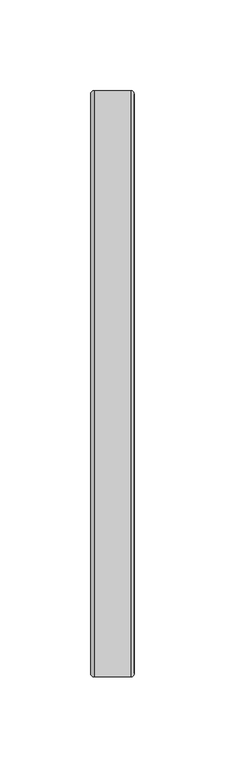
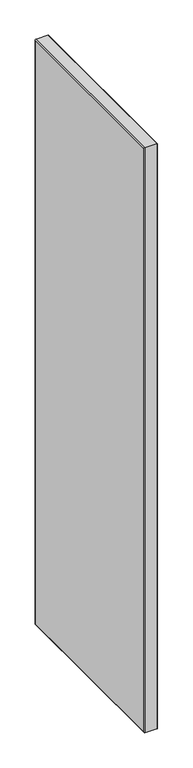
"""IFC4 building model written with IfcOpenShell, lengths in millimetres: furniture geometry."""

import ifcopenshell
import ifcopenshell.guid

model = None  # the IFC model being written
_history = None  # IfcOwnerHistory: only IFC2X3 demands one
_inside = {}  # id of a spatial element -> (the spatial element, [elements in it])
_under = {}  # id of a project, library or spatial element -> (it, [spatial elements below it])
_declared = {}  # id of a project -> (the project, [libraries it declares])
_typed = {}  # id of a type object -> (the type object, [elements of that type])
_made_of = {}  # id of a material, layer set ... -> (it, [elements and type objects made of it])


def new_model(schema):
    """Start an empty IFC model of exactly this schema.

    Asked for "IFC4X3", IfcOpenShell would pick the latest addendum, in which some entities
    have other attributes; the version numbers below select the first issue.
    IFC2X3 requires an IfcOwnerHistory on every rooted entity: one is made here for all.
    """
    global model, _history
    if schema == "IFC4X3":
        model = ifcopenshell.file(schema_version=(4, 3, 0, 0))
    else:
        model = ifcopenshell.file(schema=schema)
    _inside.clear()
    _under.clear()
    _declared.clear()
    _typed.clear()
    _made_of.clear()
    _history = None
    if model.schema == "IFC2X3":
        org = make("IfcOrganization", Name="unknown")
        user = make(
            "IfcPersonAndOrganization",
            ThePerson=make("IfcPerson", FamilyName="unknown"),
            TheOrganization=org,
        )
        app = make(
            "IfcApplication",
            ApplicationDeveloper=org,
            Version="unknown",
            ApplicationFullName="unknown",
            ApplicationIdentifier="unknown",
        )
        _history = make(
            "IfcOwnerHistory",
            OwningUser=user,
            OwningApplication=app,
            ChangeAction="ADDED",
            CreationDate=0,
        )
    return model


def make(cls, **values):
    """One entity of the class cls with the attributes given. An attribute that is None is left unset."""
    return model.create_entity(
        cls, **{name: value for name, value in values.items() if value is not None}
    )


def rooted(cls, **values):
    """An entity with a GlobalId (a new one), such as an element, a storey or a relation."""
    return make(cls, GlobalId=ifcopenshell.guid.new(), OwnerHistory=_history, **values)


def si_unit(unit_type, name, prefix=None):
    """IfcSIUnit, for example si_unit("LENGTHUNIT", "METRE", prefix="MILLI")."""
    return make("IfcSIUnit", UnitType=unit_type, Prefix=prefix, Name=name)


def assignment(units):
    """IfcUnitAssignment: the units of a project."""
    return None if units is None else make("IfcUnitAssignment", Units=units)


def point(xyz):
    """IfcCartesianPoint."""
    return None if xyz is None else make("IfcCartesianPoint", Coordinates=xyz)


def direction(xyz):
    """IfcDirection."""
    return None if xyz is None else make("IfcDirection", DirectionRatios=xyz)


def frame(location, z_axis=None, x_axis=None):
    """IfcAxis2Placement3D, a coordinate frame: its origin and axes. An axis left out is left unset."""
    return make(
        "IfcAxis2Placement3D",
        Location=point(location),
        Axis=direction(z_axis),
        RefDirection=direction(x_axis),
    )


def origin():
    """The frame at (0, 0, 0) with its axes left unset."""
    return frame((0.0, 0.0, 0.0))


def place(relative_to, where):
    """IfcLocalPlacement: puts the frame where relative to a parent placement (None: the world)."""
    return make(
        "IfcLocalPlacement", PlacementRelTo=relative_to, RelativePlacement=where
    )


def context(
    kind, dimensions, precision=None, world=None, true_north=None, identifier=None
):
    """IfcGeometricRepresentationContext, for example the 3D "Model" context."""
    return make(
        "IfcGeometricRepresentationContext",
        ContextIdentifier=identifier,
        ContextType=kind,
        CoordinateSpaceDimension=dimensions,
        Precision=precision,
        WorldCoordinateSystem=world,
        TrueNorth=true_north,
    )


def project(units=None, contexts=None):
    """IfcProject with its units and contexts."""
    return rooted(
        "IfcProject",
        Name="project",
        RepresentationContexts=contexts,
        UnitsInContext=assignment(units),
    )


def spatial(cls, under=None, at=None, **own):
    """A site, building, storey or space (cls), placed at a placement, below another one or the project."""
    s = rooted(cls, ObjectPlacement=at, **own)
    if under is not None:
        _under.setdefault(under.id(), (under, []))[1].append(s)
    return s


def polyline(points):
    """IfcPolyline through the points."""
    return make("IfcPolyline", Points=[point(p) for p in points])


def ellipse_curve(where, semi_axis1, semi_axis2):
    """IfcEllipse in the frame where."""
    return make(
        "IfcEllipse", Position=where, SemiAxis1=semi_axis1, SemiAxis2=semi_axis2
    )


def outline(outer, holes=None, kind="AREA"):
    """IfcArbitraryClosedProfileDef: a profile drawn as a closed curve; with holes, ...WithVoids."""
    if holes is None:
        return make("IfcArbitraryClosedProfileDef", ProfileType=kind, OuterCurve=outer)
    return make(
        "IfcArbitraryProfileDefWithVoids",
        ProfileType=kind,
        OuterCurve=outer,
        InnerCurves=holes,
    )


def extrude(swept, where, along, depth):
    """IfcExtrudedAreaSolid: the profile swept, set in the frame where, extruded along a direction by depth."""
    return make(
        "IfcExtrudedAreaSolid",
        SweptArea=swept,
        Position=where,
        ExtrudedDirection=direction(along),
        Depth=depth,
    )


def shape(context_of_items, identifier, shape_type, items):
    """IfcShapeRepresentation: the items that make up one representation, for example the "Body"."""
    return make(
        "IfcShapeRepresentation",
        ContextOfItems=context_of_items,
        RepresentationIdentifier=identifier,
        RepresentationType=shape_type,
        Items=items,
    )


def source(mapping_origin, context_of_items, identifier, shape_type, items):
    """IfcRepresentationMap: a shape defined once, which mapped items show again and again."""
    return make(
        "IfcRepresentationMap",
        MappingOrigin=mapping_origin,
        MappedRepresentation=shape(context_of_items, identifier, shape_type, items),
    )


def transform(
    local_origin,
    x_axis=None,
    y_axis=None,
    z_axis=None,
    scale=None,
    scale2=None,
    scale3=None,
    uniform=True,
):
    """IfcCartesianTransformationOperator3D, or its non-uniform kind. x_axis, y_axis, z_axis: its Axis1, 2, 3."""
    if uniform:
        return make(
            "IfcCartesianTransformationOperator3D",
            Axis1=direction(x_axis),
            Axis2=direction(y_axis),
            LocalOrigin=point(local_origin),
            Scale=scale,
            Axis3=direction(z_axis),
        )
    return make(
        "IfcCartesianTransformationOperator3DnonUniform",
        Axis1=direction(x_axis),
        Axis2=direction(y_axis),
        LocalOrigin=point(local_origin),
        Scale=scale,
        Axis3=direction(z_axis),
        Scale2=scale2,
        Scale3=scale3,
    )


def mapped(mapping_source, mapping_target):
    """IfcMappedItem: shows the shape of a source again, moved by a transform."""
    return make(
        "IfcMappedItem", MappingSource=mapping_source, MappingTarget=mapping_target
    )


def made_of(thing, what):
    """Note that an element or type object is made of a material, layer set ...; save() writes the relation."""
    if what is not None:
        _made_of.setdefault(what.id(), (what, []))[1].append(thing)
    return thing


def element(
    cls,
    number,
    at=None,
    inside=None,
    cuts=None,
    type_object=None,
    material=None,
    context=None,
    identifier="Body",
    shape_type=None,
    held_by="IfcProductDefinitionShape",
    body=None,
    shapes=None,
    **own,
):
    """One element of the class cls, such as IfcWall. Its Tag is "e" and its number.

    at: its placement. inside: the storey or other place that contains it. cuts: it is an
    opening in that element (IfcRelVoidsElement). A single representation is given by context,
    identifier, shape_type and body (its items); several are given by shapes. held_by: the class
    of the entity that holds the representations. save() writes the other relations.
    """
    e = rooted(cls, Tag="e%d" % number, ObjectPlacement=at, **own)
    if body is not None:
        shapes = [shape(context, identifier, shape_type, body)]
    if shapes is not None:
        e.Representation = make(held_by, Representations=shapes)
    if inside is not None:
        _inside.setdefault(inside.id(), (inside, []))[1].append(e)
    if cuts is not None:
        rooted(
            "IfcRelVoidsElement", RelatingBuildingElement=cuts, RelatedOpeningElement=e
        )
    if type_object is not None:
        _typed.setdefault(type_object.id(), (type_object, []))[1].append(e)
    return made_of(e, material)


def aggregate(whole, parts):
    """IfcRelAggregates: a whole, such as a stair, and the parts it consists of."""
    return rooted("IfcRelAggregates", RelatingObject=whole, RelatedObjects=parts)


def save(model, path):
    """Write the relations noted so far, then the file.

    IfcRelAggregates (storeys below a building ...), IfcRelContainedInSpatialStructure (elements
    in a storey), IfcRelDefinesByType, IfcRelAssociatesMaterial and IfcRelDeclares: one each for
    every whole, place, type object, material and project.
    """
    for whole, parts in _under.values():
        aggregate(whole, parts)
    for where, things in _inside.values():
        rooted(
            "IfcRelContainedInSpatialStructure",
            RelatedElements=things,
            RelatingStructure=where,
        )
    for kind, things in _typed.values():
        rooted("IfcRelDefinesByType", RelatedObjects=things, RelatingType=kind)
    for what, things in _made_of.values():
        rooted("IfcRelAssociatesMaterial", RelatedObjects=things, RelatingMaterial=what)
    for by, libraries in _declared.values():
        rooted("IfcRelDeclares", RelatingContext=by, RelatedDefinitions=libraries)
    model.write(path)


def plane_surface(at):
    """IfcPlane: the flat surface through the origin of the frame at, square to its z axis."""
    return make("IfcPlane", Position=at)


def cylinder_surface(at, radius):
    """IfcCylindricalSurface: all points at the distance radius from the z axis of the frame at."""
    return make("IfcCylindricalSurface", Position=at, Radius=radius)


def advanced_brep(points, edges, surfaces, faces):
    """IfcAdvancedBrep: a solid bounded by faces that lie on surfaces and meet in shared edges.

    An edge is (start, end): straight between two places in points (the first is 0);
    or (start, end, curve); or (start, end, curve, False) where it runs against its curve.
    A face is (place in surfaces, loops), or (place, loops, False) where it looks against
    its surface's normal. A loop lists edges by number (the first is 1), with a minus sign
    where the edge is run from its end to its start. The first loop is the outer one.
    """
    corners = [point(p) for p in points]
    vertices = [make("IfcVertexPoint", VertexGeometry=c) for c in corners]
    made = []
    for start, end, *more in edges:
        made.append(
            make(
                "IfcEdgeCurve",
                EdgeStart=vertices[start],
                EdgeEnd=vertices[end],
                EdgeGeometry=more[0] if more else make("IfcPolyline", Points=[corners[start], corners[end]]),
                SameSense=more[1] if len(more) > 1 else True,
            )
        )
    hull = []
    for where, loops, *sense in faces:
        bounds = []
        for j, loop in enumerate(loops):
            ring = [make("IfcOrientedEdge", EdgeElement=made[abs(k) - 1], Orientation=k > 0) for k in loop]
            bounds.append(
                make(
                    "IfcFaceOuterBound" if j == 0 else "IfcFaceBound",
                    Bound=make("IfcEdgeLoop", EdgeList=ring),
                    Orientation=True,
                )
            )
        hull.append(make("IfcAdvancedFace", Bounds=bounds, FaceSurface=surfaces[where], SameSense=sense[0] if sense else True))
    return make("IfcAdvancedBrep", Outer=make("IfcClosedShell", CfsFaces=hull))


def furniture_81991bff(model_context):
    return source(origin(), model_context, "Body", "SolidModel", [
        extrude(outline(polyline([(-0.0254, 71.9582), (-0.0254, -247.1166), (-24.0253997, -247.1166), (-24.0253997, 71.9582), (-0.0254, 71.9582)])), frame((0.0, 0.0, 1.9812), z_axis=(0.0, 0.0, 1.0), x_axis=(1.0, 0.0, 0.0)), (0.0, 0.0, 1.0), 1050.8234),
        advanced_brep(
        [(-22.0187997, -249.1232, 1054.8112), (-24.0253997, -247.1166, 1052.8046), (-24.0253997, -247.1166, 1.9812), (-22.0187997, -249.1232, -0.0254), (-2.032, -249.1232, 1054.8112), (-2.032, -249.1232, -0.0254), (-0.0254, -247.1166, 1052.8046), (-0.0254, -247.1166, 1.9812), (-24.0253997, 71.9582, 1.9812), (-22.0187997, 73.9648, -0.0254), (-2.032, 73.9648, -0.0254), (-0.0254, 71.9582, 1.9812), (-24.0253997, 71.9582, 1052.8046), (-22.0187997, 73.9648, 1054.8112), (-2.032, 73.9648, 1054.8112), (-0.0254, 71.9582, 1052.8046)],
        [
            (0, 1, ellipse_curve(frame((-22.0187997, -247.1166, 1052.8046), z_axis=(0.0, -0.7071067811865475, -0.7071067811865475), x_axis=(0.0, -0.7071067811865474, 0.7071067811865476)), 2.8377609, 2.0066)),
            (1, 2),
            (2, 3, ellipse_curve(frame((-22.0187997, -247.1166, 1.9812), z_axis=(0.0, -0.7071067811865475, 0.7071067811865475), x_axis=(0.0, 0.7071067811865474, 0.7071067811865476)), 2.8377609, 2.0066)),
            (3, 0),
            (4, 0),
            (3, 5),
            (5, 4),
            (6, 4, ellipse_curve(frame((-2.032, -247.1166, 1052.8046), z_axis=(0.0, -0.7071067811865475, -0.7071067811865475), x_axis=(0.0, -0.7071067811865474, 0.7071067811865476)), 2.8377609, 2.0066)),
            (5, 7, ellipse_curve(frame((-2.032, -247.1166, 1.9812), z_axis=(0.0, -0.7071067811865475, 0.7071067811865475), x_axis=(0.0, 0.7071067811865474, 0.7071067811865476)), 2.8377609, 2.0066)),
            (7, 6),
            (1, 6),
            (7, 2),
            (2, 8),
            (8, 9, ellipse_curve(frame((-22.0187997, 71.9582, 1.9812), z_axis=(0.0, -0.7071067811865475, -0.7071067811865475), x_axis=(0.0, -0.7071067811865476, 0.7071067811865474)), 2.8377609, 2.0066)),
            (9, 3),
            (9, 10),
            (10, 5),
            (10, 11, ellipse_curve(frame((-2.032, 71.9582, 1.9812), z_axis=(0.0, -0.7071067811865475, -0.7071067811865475), x_axis=(0.0, -0.7071067811865476, 0.7071067811865474)), 2.8377609, 2.0066)),
            (11, 7),
            (11, 8),
            (8, 12),
            (12, 13, ellipse_curve(frame((-22.0187997, 71.9582, 1052.8046), z_axis=(0.0, 0.7071067811865475, -0.7071067811865475), x_axis=(0.0, -0.7071067811865474, -0.7071067811865476)), 2.8377609, 2.0066)),
            (13, 9),
            (13, 14),
            (14, 10),
            (14, 15, ellipse_curve(frame((-2.032, 71.9582, 1052.8046), z_axis=(0.0, 0.7071067811865475, -0.7071067811865475), x_axis=(0.0, -0.7071067811865474, -0.7071067811865476)), 2.8377609, 2.0066)),
            (15, 11),
            (15, 12),
            (12, 1),
            (0, 13),
            (4, 14),
            (6, 15),
        ],
        [
            cylinder_surface(frame((-22.0187997, -247.1166, 1052.8046), z_axis=(0.0, 0.0, 1.0), x_axis=(0.0, 1.0, 0.0)), 2.0066),
            plane_surface(frame((-22.0187997, -249.1232, 1054.8112), z_axis=(0.0, -1.0, 0.0), x_axis=(0.0, 0.0, -1.0))),
            cylinder_surface(frame((-2.032, -247.1166, 1052.8046), z_axis=(0.0, 0.0, 1.0), x_axis=(0.0, 1.0, 0.0)), 2.0066),
            plane_surface(frame((-0.0254, -247.1166, 1052.8046), z_axis=(0.0, 1.0, 0.0), x_axis=(0.0, 0.0, -1.0))),
            cylinder_surface(frame((-22.0187997, -247.1166, 1.9812), z_axis=(0.0, -1.0, 0.0), x_axis=(0.0, 0.0, 1.0)), 2.0066),
            plane_surface(frame((-22.0187997, -249.1232, -0.0254), z_axis=(0.0, 0.0, -1.0), x_axis=(0.0, 1.0, 0.0))),
            cylinder_surface(frame((-2.032, -247.1166, 1.9812), z_axis=(0.0, -1.0, 0.0), x_axis=(0.0, 0.0, 1.0)), 2.0066),
            plane_surface(frame((-0.0254, -247.1166, 1.9812), z_axis=(0.0, 0.0, 1.0), x_axis=(0.0, 1.0, 0.0))),
            cylinder_surface(frame((-22.0187997, 71.9582, 1.9812), z_axis=(0.0, 0.0, -1.0), x_axis=(0.0, -1.0, 0.0)), 2.0066),
            plane_surface(frame((-22.0187997, 73.9648, -0.0254), z_axis=(0.0, 1.0, 0.0), x_axis=(0.0, 0.0, 1.0))),
            cylinder_surface(frame((-2.032, 71.9582, 1.9812), z_axis=(0.0, 0.0, -1.0), x_axis=(0.0, -1.0, 0.0)), 2.0066),
            plane_surface(frame((-0.0254, 71.9582, 1.9812), z_axis=(0.0, -1.0, 0.0), x_axis=(0.0, 0.0, 1.0))),
            cylinder_surface(frame((-22.0187997, 71.9582, 1052.8046), z_axis=(0.0, 1.0, 0.0), x_axis=(0.0, 0.0, -1.0)), 2.0066),
            plane_surface(frame((-22.0187997, 73.9648, 1054.8112), z_axis=(0.0, 0.0, 1.0), x_axis=(0.0, -1.0, 0.0))),
            cylinder_surface(frame((-2.032, 71.9582, 1052.8046), z_axis=(0.0, 1.0, 0.0), x_axis=(0.0, 0.0, -1.0)), 2.0066),
            plane_surface(frame((-0.0254, 71.9582, 1052.8046), z_axis=(0.0, 0.0, -1.0), x_axis=(0.0, -1.0, 0.0))),
        ],
        [
            (0, [[1, 2, 3, 4]]),
            (1, [[5, -4, 6, 7]]),
            (2, [[8, -7, 9, 10]]),
            (3, [[11, -10, 12, -2]]),
            (4, [[-3, 13, 14, 15]]),
            (5, [[-6, -15, 16, 17]]),
            (6, [[-9, -17, 18, 19]]),
            (7, [[-12, -19, 20, -13]]),
            (8, [[-14, 21, 22, 23]]),
            (9, [[-16, -23, 24, 25]]),
            (10, [[-18, -25, 26, 27]]),
            (11, [[-20, -27, 28, -21]]),
            (12, [[-22, 29, -1, 30]]),
            (13, [[-24, -30, -5, 31]]),
            (14, [[-26, -31, -8, 32]]),
            (15, [[-28, -32, -11, -29]]),
        ],
    ),
    ])


if __name__ == "__main__":
    model = new_model("IFC4")
    model_context = context("Model", 3, world=origin())
    ifc_project = project(units=[si_unit("LENGTHUNIT", "METRE", prefix="MILLI")], contexts=[model_context])
    site = spatial("IfcSite", under=ifc_project)
    building = spatial("IfcBuilding", under=site)
    placement = place(None, origin())
    furniture_shape = furniture_81991bff(model_context)
    element("IfcFurniture", 1, at=placement, inside=building, context=model_context, shape_type="MappedRepresentation", body=[
        mapped(furniture_shape, transform((0.0, 0.0, 0.0), x_axis=(1.0, 0.0, 0.0), y_axis=(0.0, 1.0, 0.0), z_axis=(0.0, 0.0, 1.0))),
    ])
    save(model, "model.ifc")
